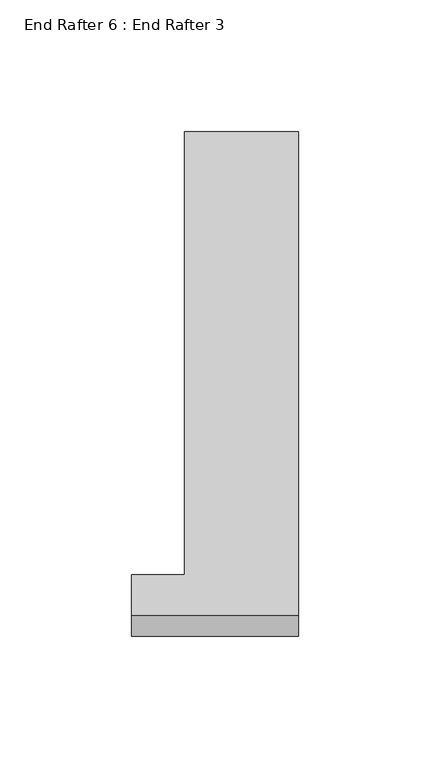
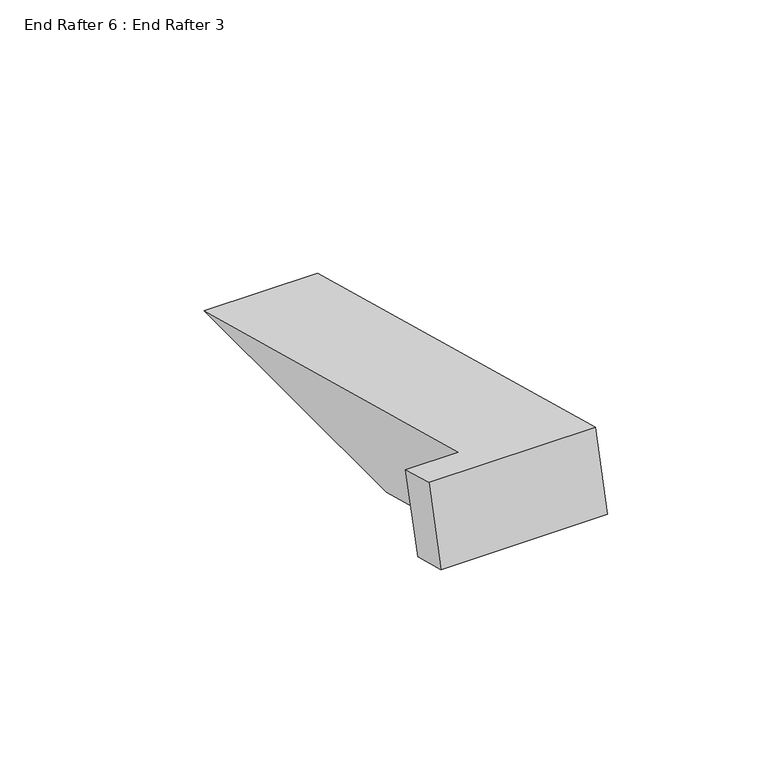
"""IFC4 building model written with IfcOpenShell, lengths in millimetres: proxy geometry, End Rafter 6 : End Rafter 3."""

from ifc_helpers import new_model, si_unit, origin, place, context, project, spatial, faceted_brep, source, transform, mapped, element, save


def end_rafter_6_end_rafter_3_e4b8c63c(model_context):
    return source(origin(), model_context, "Body", "Brep", [
        faceted_brep([(-350.0416684, 6488.5611932, 997.6329782), (-370.2645484, 6488.5611932, 997.6329782), (-370.2645484, 6473.2593222, 1001.7331021), (-306.7645484, 6473.2593222, 1001.7331021), (-306.7645484, 6656.8696087, 952.5348742), (-350.0416684, 6656.8696087, 952.5348742), (-370.2645484, 6465.162953, 971.5170408), (-370.2645484, 6480.4648239, 967.4169169), (-350.0416684, 6480.4648239, 967.4169169), (-350.0416684, 6536.16179, 952.4929598), (-306.7645484, 6536.16179, 952.4929598), (-306.7645484, 6465.162953, 971.5170408)], [[[0, 1, 2, 3, 4, 5]], [[6, 7, 8, 9, 10, 11]], [[1, 0, 8, 7]], [[2, 1, 7, 6]], [[3, 2, 6, 11]], [[4, 3, 11, 10]], [[5, 9, 8, 0]], [[4, 10, 9, 5]]]),
    ])


if __name__ == "__main__":
    model = new_model("IFC4")
    model_context = context("Model", 3, world=origin())
    ifc_project = project(units=[si_unit("LENGTHUNIT", "METRE", prefix="MILLI")], contexts=[model_context])
    site = spatial("IfcSite", under=ifc_project)
    building = spatial("IfcBuilding", under=site)
    placement = place(None, origin())
    end_rafter_6_end_rafter_3_shape = end_rafter_6_end_rafter_3_e4b8c63c(model_context)
    element("IfcBuildingElementProxy", 1, Name="End Rafter 6 : End Rafter 3", ObjectType="End Rafter 6 : End Rafter 3", at=placement, inside=building, context=model_context, shape_type="MappedRepresentation", body=[
        mapped(end_rafter_6_end_rafter_3_shape, transform((0.0, 0.0, 0.0), x_axis=(1.0, 0.0, 0.0), y_axis=(0.0, 1.0, 0.0), z_axis=(0.0, 0.0, 1.0))),
    ])
    save(model, "model.ifc")
